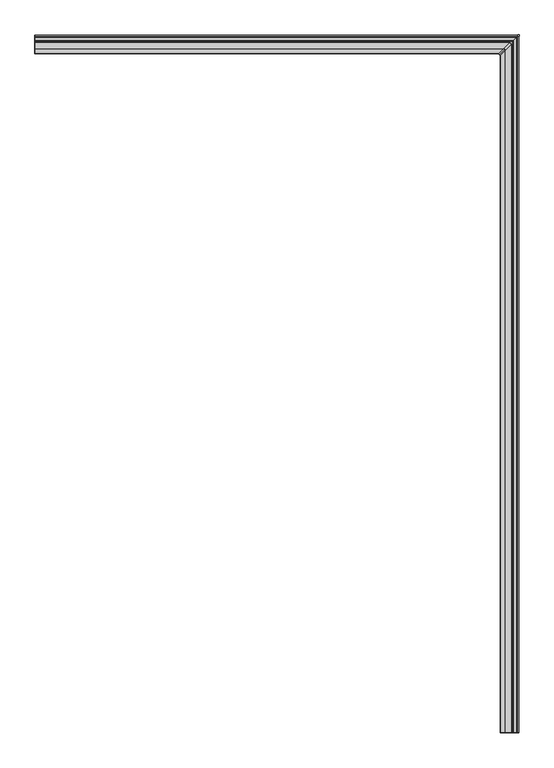
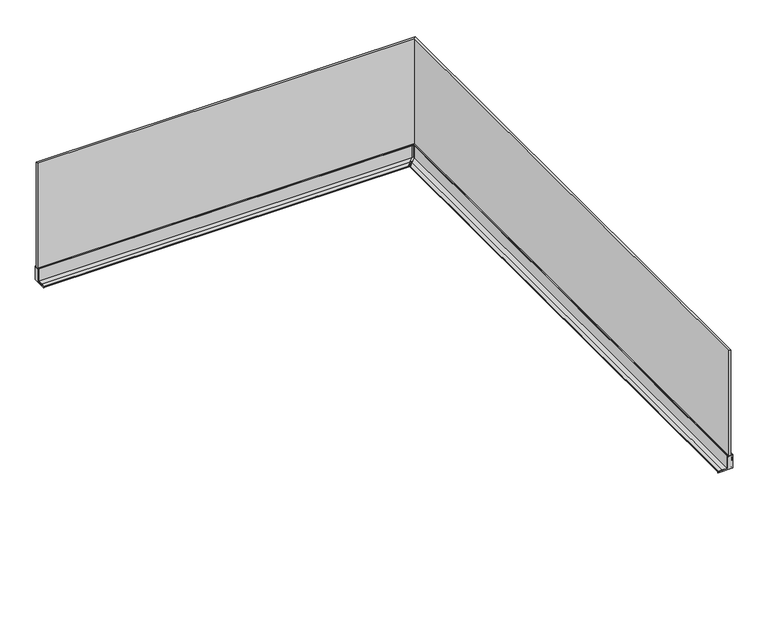
"""IFC4 building model written with IfcOpenShell, lengths in millimetres: railing geometry."""

from ifc_helpers import new_model, si_unit, frame, origin, place, context, project, spatial, polyline, circle_curve, ellipse_curve, outline, extrude, faceted_brep, source, transform, mapped, element, save
from ifc_brep_helpers import plane_surface, cylinder_surface, advanced_brep


def railing_99cab80c(model_context):
    return source(origin(), model_context, "Body", "SolidModel", [
        faceted_brep([(-5183.7924845, -67763.3362173, 1118.0), (-5201.3124845, -67763.3362173, 1118.0), (-5201.3124845, -67763.3362173, 18.0), (-5183.7924845, -67763.3362173, 18.0), (-5201.3124845, -62897.0962173, 1118.0), (-5201.3124845, -62897.0962173, 18.0), (-5183.7924845, -62879.5762173, 1118.0), (-8567.5524845, -62879.5762173, 1118.0), (-8567.5524845, -62879.5762173, 18.0), (-8567.5524845, -62897.0962173, 18.0), (-8567.5524845, -62897.0962173, 1118.0), (-5183.7924845, -62879.5762173, 18.0)], [[[0, 1, 2, 3]], [[4, 5, 2, 1]], [[6, 4, 1, 0]], [[7, 8, 9, 10]], [[10, 9, 5, 4]], [[7, 10, 4, 6]], [[9, 8, 11, 5]], [[8, 7, 6, 11]], [[5, 11, 3, 2]], [[11, 6, 0, 3]]]),
        advanced_brep(
        [(-5211.9524845, -67763.3362173, 125.0), (-5216.5524845, -67763.3362173, 125.0), (-5216.5524845, -67763.3362173, 11.995006), (-5262.0391385, -67763.3362173, 11.995006), (-5295.057318, -67763.3362173, 8.846889), (-5297.5524845, -67763.3362173, 6.3517226), (-5297.5524845, -67763.3362173, 0.0), (-5205.5524845, -67763.3362173, 0.0), (-5203.5524845, -67763.3362173, 2.0), (-5179.5524845, -67763.3362173, 2.0), (-5177.5524845, -67763.3362173, 0.0), (-5167.5524845, -67763.3362173, 0.0), (-5167.5524845, -67763.3362173, 125.0), (-5173.1524845, -67763.3362173, 125.0), (-5173.1524845, -67763.3362173, 119.7), (-5175.1524845, -67763.3362173, 119.7), (-5175.1524845, -67763.3362173, 122.45), (-5176.5524845, -67763.3362173, 122.45), (-5176.5524845, -67763.3362173, 113.2486641), (-5174.4524845, -67763.3362173, 113.2486641), (-5174.4524845, -67763.3362173, 109.9986641), (-5179.3652356, -67763.3362173, 109.9986641), (-5179.3652356, -67763.3362173, 108.0), (-5177.3652356, -67763.3362173, 108.0), (-5180.5524845, -67763.3362173, 35.0), (-5180.5524845, -67763.3362173, 15.0), (-5204.5524845, -67763.3362173, 15.0), (-5204.5524845, -67763.3362173, 35.0), (-5207.8269968, -67763.3362173, 109.9986641), (-5210.6524845, -67763.3362173, 109.9986641), (-5210.6524845, -67763.3362173, 113.2486641), (-5208.5524845, -67763.3362173, 113.2486641), (-5208.5524845, -67763.3362173, 122.45), (-5209.9524845, -67763.3362173, 122.45), (-5209.9524845, -67763.3362173, 119.7), (-5211.9524845, -67763.3362173, 119.7), (-5211.9524845, -62907.7362173, 125.0), (-5216.5524845, -62912.3362173, 125.0), (-8567.5524845, -62907.7362173, 125.0), (-8567.5524845, -62907.7362173, 119.7), (-8567.5524845, -62905.7362173, 119.7), (-8567.5524845, -62905.7362173, 122.45), (-8567.5524845, -62904.3362173, 122.45), (-8567.5524845, -62904.3362173, 113.2486641), (-8567.5524845, -62906.4362173, 113.2486641), (-8567.5524845, -62906.4362173, 109.9986641), (-8567.5524845, -62903.6107297, 109.9986641), (-8567.5524845, -62900.3362173, 35.0), (-8567.5524845, -62900.3362173, 15.0), (-8567.5524845, -62876.3362173, 15.0), (-8567.5524845, -62876.3362173, 35.0), (-8567.5524845, -62873.1489685, 108.0), (-8567.5524845, -62875.1489685, 108.0), (-8567.5524845, -62875.1489685, 109.9986641), (-8567.5524845, -62870.2362173, 109.9986641), (-8567.5524845, -62870.2362173, 113.2486641), (-8567.5524845, -62872.3362173, 113.2486641), (-8567.5524845, -62872.3362173, 122.45), (-8567.5524845, -62870.9362173, 122.45), (-8567.5524845, -62870.9362173, 119.7), (-8567.5524845, -62868.9362173, 119.7), (-8567.5524845, -62868.9362173, 125.0), (-8567.5524845, -62863.3362173, 125.0), (-8567.5524845, -62863.3362173, 0.0), (-8567.5524845, -62873.3362173, 0.0), (-8567.5524845, -62875.3362173, 2.0), (-8567.5524845, -62899.3362173, 2.0), (-8567.5524845, -62901.3362173, 0.0), (-8567.5524845, -62993.3362173, 0.0), (-8567.5524845, -62993.3362173, 6.3517226), (-8567.5524845, -62990.8410509, 8.846889), (-8567.5524845, -62957.8228713, 11.995006), (-8567.5524845, -62912.3362173, 11.995006), (-8567.5524845, -62912.3362173, 125.0), (-5205.5524845, -62901.3362173, 0.0), (-5297.5524845, -62993.3362173, 0.0), (-5203.5524845, -62899.3362173, 2.0), (-5179.5524845, -62875.3362173, 2.0), (-5177.5524845, -62873.3362173, 0.0), (-5167.5524845, -62863.3362173, 0.0), (-5167.5524845, -62863.3362173, 125.0), (-5173.1524845, -62868.9362173, 125.0), (-5173.1524845, -62868.9362173, 119.7), (-5175.1524845, -62870.9362173, 119.7), (-5175.1524845, -62870.9362173, 122.45), (-5176.5524845, -62872.3362173, 122.45), (-5176.5524845, -62872.3362173, 113.2486641), (-5174.4524845, -62870.2362173, 113.2486641), (-5174.4524845, -62870.2362173, 109.9986641), (-5179.3652356, -62875.1489685, 109.9986641), (-5179.3652356, -62875.1489685, 108.0), (-5177.3652356, -62873.1489685, 108.0), (-5180.5524845, -62876.3362173, 35.0), (-5180.5524845, -62876.3362173, 15.0), (-5204.5524845, -62900.3362173, 15.0), (-5204.5524845, -62900.3362173, 35.0), (-5207.8269968, -62903.6107297, 109.9986641), (-5210.6524845, -62906.4362173, 109.9986641), (-5210.6524845, -62906.4362173, 113.2486641), (-5208.5524845, -62904.3362173, 113.2486641), (-5208.5524845, -62904.3362173, 122.45), (-5209.9524845, -62905.7362173, 122.45), (-5209.9524845, -62905.7362173, 119.7), (-5211.9524845, -62907.7362173, 119.7), (-5216.5524845, -62912.3362173, 11.995006), (-5262.0391385, -62957.8228713, 11.995006), (-5295.057318, -62990.8410509, 8.846889), (-5297.5524845, -62993.3362173, 6.3517226)],
        [
            (0, 1),
            (1, 2),
            (2, 3),
            (3, 4),
            (4, 5, circle_curve(frame((-5295.057318, -67763.3362173, 6.3517226), z_axis=(0.0, -1.0, 0.0), x_axis=(1.0, 0.0, 0.0)), 2.4951664)),
            (5, 6),
            (6, 7),
            (7, 8),
            (8, 9),
            (9, 10),
            (10, 11),
            (11, 12),
            (12, 13),
            (13, 14),
            (14, 15),
            (15, 16),
            (16, 17),
            (17, 18),
            (18, 19),
            (19, 20),
            (20, 21),
            (21, 22),
            (22, 23),
            (23, 24),
            (24, 25),
            (25, 26),
            (26, 27),
            (27, 28),
            (28, 29),
            (29, 30),
            (30, 31),
            (31, 32),
            (32, 33),
            (33, 34),
            (34, 35),
            (35, 0),
            (36, 37),
            (37, 1),
            (0, 36),
            (38, 39),
            (39, 40),
            (40, 41),
            (41, 42),
            (42, 43),
            (43, 44),
            (44, 45),
            (45, 46),
            (46, 47),
            (47, 48),
            (48, 49),
            (49, 50),
            (50, 51),
            (51, 52),
            (52, 53),
            (53, 54),
            (54, 55),
            (55, 56),
            (56, 57),
            (57, 58),
            (58, 59),
            (59, 60),
            (60, 61),
            (61, 62),
            (62, 63),
            (63, 64),
            (64, 65),
            (65, 66),
            (66, 67),
            (67, 68),
            (68, 69),
            (69, 70, circle_curve(frame((-8567.5524845, -62990.8410509, 6.3517226), z_axis=(-1.0, 0.0, 0.0), x_axis=(0.0, 1.0, 0.0)), 2.4951664)),
            (70, 71),
            (71, 72),
            (72, 73),
            (73, 38),
            (73, 37),
            (36, 38),
            (67, 74),
            (74, 75),
            (75, 68),
            (66, 76),
            (76, 74),
            (65, 77),
            (77, 76),
            (64, 78),
            (78, 77),
            (63, 79),
            (79, 78),
            (62, 80),
            (80, 79),
            (61, 81),
            (81, 80),
            (60, 82),
            (82, 81),
            (59, 83),
            (83, 82),
            (58, 84),
            (84, 83),
            (57, 85),
            (85, 84),
            (56, 86),
            (86, 85),
            (55, 87),
            (87, 86),
            (54, 88),
            (88, 87),
            (53, 89),
            (89, 88),
            (52, 90),
            (90, 89),
            (51, 91),
            (91, 90),
            (50, 92),
            (92, 91),
            (49, 93),
            (93, 92),
            (48, 94),
            (94, 93),
            (47, 95),
            (95, 94),
            (46, 96),
            (96, 95),
            (45, 97),
            (97, 96),
            (44, 98),
            (98, 97),
            (43, 99),
            (99, 98),
            (42, 100),
            (100, 99),
            (41, 101),
            (101, 100),
            (40, 102),
            (102, 101),
            (39, 103),
            (103, 102),
            (36, 103),
            (74, 7),
            (6, 75),
            (76, 8),
            (77, 9),
            (78, 10),
            (79, 11),
            (80, 12),
            (81, 13),
            (82, 14),
            (83, 15),
            (84, 16),
            (85, 17),
            (86, 18),
            (87, 19),
            (88, 20),
            (89, 21),
            (90, 22),
            (91, 23),
            (92, 24),
            (93, 25),
            (94, 26),
            (95, 27),
            (96, 28),
            (97, 29),
            (98, 30),
            (99, 31),
            (100, 32),
            (101, 33),
            (102, 34),
            (103, 35),
            (72, 104),
            (104, 37),
            (71, 105),
            (105, 104),
            (70, 106),
            (106, 105),
            (69, 107),
            (107, 106, ellipse_curve(frame((-5295.057318, -62990.8410509, 6.3517226), z_axis=(-0.707106781186546, 0.7071067811865491, 0.0), x_axis=(-0.707106781186549, -0.707106781186546, 0.0)), 3.5286982, 2.4951664)),
            (75, 107),
            (104, 2),
            (105, 3),
            (106, 4),
            (107, 5),
        ],
        [
            plane_surface(frame((-5192.5524845, -67763.3362173, 0.0), z_axis=(0.0, -1.0, 0.0), x_axis=(0.0, 0.0, -1.0))),
            plane_surface(frame((-5216.5524845, -62912.3362173, 125.0), z_axis=(0.0, 0.0, 1.0), x_axis=(0.0, -1.0, 0.0))),
            plane_surface(frame((-8567.5524845, -62888.3362173, 0.0), z_axis=(-1.0, 0.0, 0.0), x_axis=(0.0, 1.0, 0.0))),
            plane_surface(frame((-8567.5524845, -62912.3362173, 125.0), z_axis=(0.0, 0.0, 1.0), x_axis=(1.0, 0.0, 0.0))),
            plane_surface(frame((-8567.5524845, -62901.3362173, 0.0), z_axis=(0.0, 0.0, -1.0), x_axis=(1.0, 0.0, 0.0))),
            plane_surface(frame((-8567.5524845, -62899.3362173, 2.0), z_axis=(0.0, 0.7071067811864672, -0.707106781186628), x_axis=(1.0, 0.0, 0.0))),
            plane_surface(frame((-8567.5524845, -62875.3362173, 2.0), z_axis=(0.0, 0.0, -1.0), x_axis=(1.0, 0.0, 0.0))),
            plane_surface(frame((-8567.5524845, -62873.3362173, 0.0), z_axis=(0.0, -0.707106781186468, -0.7071067811866272), x_axis=(1.0, 0.0, 0.0))),
            plane_surface(frame((-8567.5524845, -62863.3362173, 0.0), z_axis=(0.0, 0.0, -1.0), x_axis=(1.0, 0.0, 0.0))),
            plane_surface(frame((-8567.5524845, -62863.3362173, 125.0), z_axis=(0.0, 1.0, 0.0), x_axis=(1.0, 0.0, 0.0))),
            plane_surface(frame((-8567.5524845, -62868.9362173, 125.0), z_axis=(0.0, 0.0, 1.0), x_axis=(1.0, 0.0, 0.0))),
            plane_surface(frame((-8567.5524845, -62868.9362173, 119.7), z_axis=(0.0, -1.0, 0.0), x_axis=(1.0, 0.0, 0.0))),
            plane_surface(frame((-8567.5524845, -62870.9362173, 119.7), z_axis=(0.0, 0.0, 1.0), x_axis=(1.0, 0.0, 0.0))),
            plane_surface(frame((-8567.5524845, -62870.9362173, 122.45), z_axis=(0.0, 1.0, 0.0), x_axis=(1.0, 0.0, 0.0))),
            plane_surface(frame((-8567.5524845, -62872.3362173, 122.45), z_axis=(0.0, 0.0, 1.0), x_axis=(1.0, 0.0, 0.0))),
            plane_surface(frame((-8567.5524845, -62872.3362173, 113.2486641), z_axis=(0.0, -1.0, 0.0), x_axis=(1.0, 0.0, 0.0))),
            plane_surface(frame((-8567.5524845, -62870.2362173, 113.2486641), z_axis=(0.0, 0.0, -1.0), x_axis=(1.0, 0.0, 0.0))),
            plane_surface(frame((-8567.5524845, -62870.2362173, 109.9986641), z_axis=(0.0, -1.0, 0.0), x_axis=(1.0, 0.0, 0.0))),
            plane_surface(frame((-8567.5524845, -62875.1489685, 109.9986641), z_axis=(0.0, 0.0, 1.0), x_axis=(1.0, 0.0, 0.0))),
            plane_surface(frame((-8567.5524845, -62875.1489685, 108.0), z_axis=(0.0, -1.0, 0.0), x_axis=(1.0, 0.0, 0.0))),
            plane_surface(frame((-8567.5524845, -62873.1489685, 108.0), z_axis=(0.0, 0.0, -1.0), x_axis=(1.0, 0.0, 0.0))),
            plane_surface(frame((-8567.5524845, -62876.3362173, 35.0), z_axis=(0.0, -0.9990482215818577, 0.043619387365338706), x_axis=(1.0, 0.0, 0.0))),
            plane_surface(frame((-8567.5524845, -62876.3362173, 15.0), z_axis=(0.0, -1.0, 0.0), x_axis=(1.0, 0.0, 0.0))),
            plane_surface(frame((-8567.5524845, -62900.3362173, 15.0), z_axis=(0.0, 0.0, 1.0), x_axis=(1.0, 0.0, 0.0))),
            plane_surface(frame((-8567.5524845, -62900.3362173, 35.0), z_axis=(0.0, 1.0, 0.0), x_axis=(1.0, 0.0, 0.0))),
            plane_surface(frame((-8567.5524845, -62903.6107297, 109.9986641), z_axis=(0.0, 0.9990482215818579, 0.04361938736533231), x_axis=(1.0, 0.0, 0.0))),
            plane_surface(frame((-8567.5524845, -62906.4362173, 109.9986641), z_axis=(0.0, 0.0, 1.0), x_axis=(1.0, 0.0, 0.0))),
            plane_surface(frame((-8567.5524845, -62906.4362173, 113.2486641), z_axis=(0.0, 1.0, 0.0), x_axis=(1.0, 0.0, 0.0))),
            plane_surface(frame((-8567.5524845, -62904.3362173, 113.2486641), z_axis=(0.0, 0.0, -1.0), x_axis=(1.0, 0.0, 0.0))),
            plane_surface(frame((-8567.5524845, -62904.3362173, 122.45), z_axis=(0.0, 1.0, 0.0), x_axis=(1.0, 0.0, 0.0))),
            plane_surface(frame((-8567.5524845, -62905.7362173, 122.45), z_axis=(0.0, 0.0, 1.0), x_axis=(1.0, 0.0, 0.0))),
            plane_surface(frame((-8567.5524845, -62905.7362173, 119.7), z_axis=(0.0, -1.0, 0.0), x_axis=(1.0, 0.0, 0.0))),
            plane_surface(frame((-8567.5524845, -62907.7362173, 119.7), z_axis=(0.0, 0.0, 1.0), x_axis=(1.0, 0.0, 0.0))),
            plane_surface(frame((-8567.5524845, -62907.7362173, 125.0), z_axis=(0.0, 1.0, 0.0), x_axis=(1.0, 0.0, 0.0))),
            plane_surface(frame((-5205.5524845, -62901.3362173, 0.0), z_axis=(0.0, 0.0, -1.0), x_axis=(0.0, -1.0, 0.0))),
            plane_surface(frame((-5203.5524845, -62899.3362173, 2.0), z_axis=(0.7071067811864672, 0.0, -0.7071067811866281), x_axis=(0.0, -1.0, 0.0))),
            plane_surface(frame((-5179.5524845, -62875.3362173, 2.0), z_axis=(0.0, 0.0, -1.0), x_axis=(0.0, -1.0, 0.0))),
            plane_surface(frame((-5177.5524845, -62873.3362173, 0.0), z_axis=(-0.707106781186468, 0.0, -0.7071067811866273), x_axis=(0.0, -1.0, 0.0))),
            plane_surface(frame((-5167.5524845, -62863.3362173, 0.0), z_axis=(0.0, 0.0, -1.0), x_axis=(0.0, -1.0, 0.0))),
            plane_surface(frame((-5167.5524845, -62863.3362173, 125.0), z_axis=(1.0, 0.0, 0.0), x_axis=(0.0, -1.0, 0.0))),
            plane_surface(frame((-5173.1524845, -62868.9362173, 125.0), z_axis=(0.0, 0.0, 1.0), x_axis=(0.0, -1.0, 0.0))),
            plane_surface(frame((-5173.1524845, -62868.9362173, 119.7), z_axis=(-1.0, 0.0, 0.0), x_axis=(0.0, -1.0, 0.0))),
            plane_surface(frame((-5175.1524845, -62870.9362173, 119.7), z_axis=(0.0, 0.0, 1.0), x_axis=(0.0, -1.0, 0.0))),
            plane_surface(frame((-5175.1524845, -62870.9362173, 122.45), z_axis=(1.0, 0.0, 0.0), x_axis=(0.0, -1.0, 0.0))),
            plane_surface(frame((-5176.5524845, -62872.3362173, 122.45), z_axis=(0.0, 0.0, 1.0), x_axis=(0.0, -1.0, 0.0))),
            plane_surface(frame((-5176.5524845, -62872.3362173, 113.2486641), z_axis=(-1.0, 0.0, 0.0), x_axis=(0.0, -1.0, 0.0))),
            plane_surface(frame((-5174.4524845, -62870.2362173, 113.2486641), z_axis=(0.0, 0.0, -1.0), x_axis=(0.0, -1.0, 0.0))),
            plane_surface(frame((-5174.4524845, -62870.2362173, 109.9986641), z_axis=(-1.0, 0.0, 0.0), x_axis=(0.0, -1.0, 0.0))),
            plane_surface(frame((-5179.3652356, -62875.1489685, 109.9986641), z_axis=(0.0, 0.0, 1.0), x_axis=(0.0, -1.0, 0.0))),
            plane_surface(frame((-5179.3652356, -62875.1489685, 108.0), z_axis=(-1.0, 0.0, 0.0), x_axis=(0.0, -1.0, 0.0))),
            plane_surface(frame((-5177.3652356, -62873.1489685, 108.0), z_axis=(0.0, 0.0, -1.0), x_axis=(0.0, -1.0, 0.0))),
            plane_surface(frame((-5180.5524845, -62876.3362173, 35.0), z_axis=(-0.9990482215818577, 0.0, 0.04361938736533871), x_axis=(0.0, -1.0, 0.0))),
            plane_surface(frame((-5180.5524845, -62876.3362173, 15.0), z_axis=(-1.0, 0.0, 0.0), x_axis=(0.0, -1.0, 0.0))),
            plane_surface(frame((-5204.5524845, -62900.3362173, 15.0), z_axis=(0.0, 0.0, 1.0), x_axis=(0.0, -1.0, 0.0))),
            plane_surface(frame((-5204.5524845, -62900.3362173, 35.0), z_axis=(1.0, 0.0, 0.0), x_axis=(0.0, -1.0, 0.0))),
            plane_surface(frame((-5207.8269968, -62903.6107297, 109.9986641), z_axis=(0.9990482215818579, 0.0, 0.043619387365332316), x_axis=(0.0, -1.0, 0.0))),
            plane_surface(frame((-5210.6524845, -62906.4362173, 109.9986641), z_axis=(0.0, 0.0, 1.0), x_axis=(0.0, -1.0, 0.0))),
            plane_surface(frame((-5210.6524845, -62906.4362173, 113.2486641), z_axis=(1.0, 0.0, 0.0), x_axis=(0.0, -1.0, 0.0))),
            plane_surface(frame((-5208.5524845, -62904.3362173, 113.2486641), z_axis=(0.0, 0.0, -1.0), x_axis=(0.0, -1.0, 0.0))),
            plane_surface(frame((-5208.5524845, -62904.3362173, 122.45), z_axis=(1.0, 0.0, 0.0), x_axis=(0.0, -1.0, 0.0))),
            plane_surface(frame((-5209.9524845, -62905.7362173, 122.45), z_axis=(0.0, 0.0, 1.0), x_axis=(0.0, -1.0, 0.0))),
            plane_surface(frame((-5209.9524845, -62905.7362173, 119.7), z_axis=(-1.0, 0.0, 0.0), x_axis=(0.0, -1.0, 0.0))),
            plane_surface(frame((-5211.9524845, -62907.7362173, 119.7), z_axis=(0.0, 0.0, 1.0), x_axis=(0.0, -1.0, 0.0))),
            plane_surface(frame((-5211.9524845, -62907.7362173, 125.0), z_axis=(1.0, 0.0, 0.0), x_axis=(0.0, -1.0, 0.0))),
            plane_surface(frame((-8567.5524845, -62912.3362173, 11.995006), z_axis=(0.0, -1.0, 0.0), x_axis=(1.0, 0.0, 0.0))),
            plane_surface(frame((-8567.5524845, -62957.8228713, 11.995006), z_axis=(0.0, 0.0, 1.0), x_axis=(1.0, 0.0, 0.0))),
            plane_surface(frame((-8567.5524845, -62990.8410509, 8.846889), z_axis=(0.0, -0.09491451768275316, 0.9954854264794891), x_axis=(1.0, 0.0, 0.0))),
            cylinder_surface(frame((-8567.5524845, -62990.8410509, 6.3517226), z_axis=(-1.0, 0.0, 0.0), x_axis=(0.0, 1.0, 0.0)), 2.4951664),
            plane_surface(frame((-8567.5524845, -62993.3362173, 0.0), z_axis=(0.0, -1.0, 0.0), x_axis=(1.0, 0.0, 0.0))),
            plane_surface(frame((-5216.5524845, -62912.3362173, 11.995006), z_axis=(-1.0, 0.0, 0.0), x_axis=(0.0, -1.0, 0.0))),
            plane_surface(frame((-5262.0391385, -62957.8228713, 11.995006), z_axis=(0.0, 0.0, 1.0), x_axis=(0.0, -1.0, 0.0))),
            plane_surface(frame((-5295.057318, -62990.8410509, 8.846889), z_axis=(-0.09491451768275314, 0.0, 0.9954854264794891), x_axis=(0.0, -1.0, 0.0))),
            cylinder_surface(frame((-5295.057318, -62888.3362173, 6.3517226), z_axis=(0.0, 1.0, 0.0), x_axis=(1.0, 0.0, 0.0)), 2.4951664),
            plane_surface(frame((-5297.5524845, -62993.3362173, 0.0), z_axis=(-1.0, 0.0, 0.0), x_axis=(0.0, -1.0, 0.0))),
        ],
        [
            (0, [[1, 2, 3, 4, 5, 6, 7, 8, 9, 10, 11, 12, 13, 14, 15, 16, 17, 18, 19, 20, 21, 22, 23, 24, 25, 26, 27, 28, 29, 30, 31, 32, 33, 34, 35, 36]]),
            (1, [[37, 38, -1, 39]]),
            (2, [[40, 41, 42, 43, 44, 45, 46, 47, 48, 49, 50, 51, 52, 53, 54, 55, 56, 57, 58, 59, 60, 61, 62, 63, 64, 65, 66, 67, 68, 69, 70, 71, 72, 73, 74, 75]]),
            (3, [[-75, 76, -37, 77]]),
            (4, [[-69, 78, 79, 80]]),
            (5, [[-68, 81, 82, -78]]),
            (6, [[-67, 83, 84, -81]]),
            (7, [[-66, 85, 86, -83]]),
            (8, [[-65, 87, 88, -85]]),
            (9, [[-64, 89, 90, -87]]),
            (10, [[-63, 91, 92, -89]]),
            (11, [[-62, 93, 94, -91]]),
            (12, [[-61, 95, 96, -93]]),
            (13, [[-60, 97, 98, -95]]),
            (14, [[-59, 99, 100, -97]]),
            (15, [[-58, 101, 102, -99]]),
            (16, [[-57, 103, 104, -101]]),
            (17, [[-56, 105, 106, -103]]),
            (18, [[-55, 107, 108, -105]]),
            (19, [[-54, 109, 110, -107]]),
            (20, [[-53, 111, 112, -109]]),
            (21, [[-52, 113, 114, -111]]),
            (22, [[-51, 115, 116, -113]]),
            (23, [[-50, 117, 118, -115]]),
            (24, [[-49, 119, 120, -117]]),
            (25, [[-48, 121, 122, -119]]),
            (26, [[-47, 123, 124, -121]]),
            (27, [[-46, 125, 126, -123]]),
            (28, [[-45, 127, 128, -125]]),
            (29, [[-44, 129, 130, -127]]),
            (30, [[-43, 131, 132, -129]]),
            (31, [[-42, 133, 134, -131]]),
            (32, [[-41, 135, 136, -133]]),
            (33, [[-40, -77, 137, -135]]),
            (34, [[-79, 138, -7, 139]]),
            (35, [[-82, 140, -8, -138]]),
            (36, [[-84, 141, -9, -140]]),
            (37, [[-86, 142, -10, -141]]),
            (38, [[-88, 143, -11, -142]]),
            (39, [[-90, 144, -12, -143]]),
            (40, [[-92, 145, -13, -144]]),
            (41, [[-94, 146, -14, -145]]),
            (42, [[-96, 147, -15, -146]]),
            (43, [[-98, 148, -16, -147]]),
            (44, [[-100, 149, -17, -148]]),
            (45, [[-102, 150, -18, -149]]),
            (46, [[-104, 151, -19, -150]]),
            (47, [[-106, 152, -20, -151]]),
            (48, [[-108, 153, -21, -152]]),
            (49, [[-110, 154, -22, -153]]),
            (50, [[-112, 155, -23, -154]]),
            (51, [[-114, 156, -24, -155]]),
            (52, [[-116, 157, -25, -156]]),
            (53, [[-118, 158, -26, -157]]),
            (54, [[-120, 159, -27, -158]]),
            (55, [[-122, 160, -28, -159]]),
            (56, [[-124, 161, -29, -160]]),
            (57, [[-126, 162, -30, -161]]),
            (58, [[-128, 163, -31, -162]]),
            (59, [[-130, 164, -32, -163]]),
            (60, [[-132, 165, -33, -164]]),
            (61, [[-134, 166, -34, -165]]),
            (62, [[-136, 167, -35, -166]]),
            (63, [[-137, -39, -36, -167]]),
            (64, [[-74, 168, 169, -76]]),
            (65, [[-73, 170, 171, -168]]),
            (66, [[-72, 172, 173, -170]]),
            (67, [[-71, 174, 175, -172]]),
            (68, [[-70, -80, 176, -174]]),
            (69, [[-169, 177, -2, -38]]),
            (70, [[-171, 178, -3, -177]]),
            (71, [[-173, 179, -4, -178]]),
            (72, [[-175, 180, -5, -179]]),
            (73, [[-176, -139, -6, -180]]),
        ],
    ),
        faceted_brep([(-5173.3524845, -67763.3362173, 125.3594354), (-5183.5217324, -67763.3362173, 126.6803147), (-5183.5217324, -67763.3362173, 118.0), (-5176.7524845, -67763.3362173, 118.0), (-5176.7524845, -67763.3362173, 122.65), (-5174.9524845, -67763.3362173, 122.65), (-5174.9524845, -67763.3362173, 119.9), (-5173.3524845, -67763.3362173, 119.9), (-8567.5524845, -62869.1362173, 125.3594354), (-8567.5524845, -62869.1362173, 119.9), (-8567.5524845, -62870.7362173, 119.9), (-8567.5524845, -62870.7362173, 122.65), (-8567.5524845, -62872.5362173, 122.65), (-8567.5524845, -62872.5362173, 118.0), (-8567.5524845, -62879.3054652, 118.0), (-8567.5524845, -62879.3054652, 126.6803147), (-5183.5217324, -62879.3054652, 126.6803147), (-5173.3524845, -62869.1362173, 125.3594354), (-5183.5217324, -62879.3054652, 118.0), (-5176.7524845, -62872.5362173, 118.0), (-5176.7524845, -62872.5362173, 122.65), (-5174.9524845, -62870.7362173, 122.65), (-5174.9524845, -62870.7362173, 119.9), (-5173.3524845, -62869.1362173, 119.9)], [[[0, 1, 2, 3, 4, 5, 6, 7]], [[8, 9, 10, 11, 12, 13, 14, 15]], [[8, 15, 16, 17]], [[15, 14, 18, 16]], [[14, 13, 19, 18]], [[13, 12, 20, 19]], [[12, 11, 21, 20]], [[11, 10, 22, 21]], [[10, 9, 23, 22]], [[9, 8, 17, 23]], [[17, 16, 1, 0]], [[16, 18, 2, 1]], [[18, 19, 3, 2]], [[19, 20, 4, 3]], [[20, 21, 5, 4]], [[21, 22, 6, 5]], [[22, 23, 7, 6]], [[23, 17, 0, 7]]]),
        faceted_brep([(-5211.744672, -67763.3362173, 125.3594354), (-5211.744672, -67763.3362173, 119.9), (-5210.144672, -67763.3362173, 119.9), (-5210.144672, -67763.3362173, 122.65), (-5208.344672, -67763.3362173, 122.65), (-5208.344672, -67763.3362173, 118.0), (-5201.575424, -67763.3362173, 118.0), (-5201.575424, -67763.3362173, 126.6803147), (-8567.5524845, -62907.5284048, 125.3594354), (-8567.5524845, -62897.3591569, 126.6803147), (-8567.5524845, -62897.3591569, 118.0), (-8567.5524845, -62904.1284048, 118.0), (-8567.5524845, -62904.1284048, 122.65), (-8567.5524845, -62905.9284048, 122.65), (-8567.5524845, -62905.9284048, 119.9), (-8567.5524845, -62907.5284048, 119.9), (-5211.744672, -62907.5284048, 119.9), (-5211.744672, -62907.5284048, 125.3594354), (-5210.144672, -62905.9284048, 119.9), (-5210.144672, -62905.9284048, 122.65), (-5208.344672, -62904.1284048, 122.65), (-5208.344672, -62904.1284048, 118.0), (-5201.575424, -62897.3591569, 118.0), (-5201.575424, -62897.3591569, 126.6803147)], [[[0, 1, 2, 3, 4, 5, 6, 7]], [[8, 9, 10, 11, 12, 13, 14, 15]], [[8, 15, 16, 17]], [[15, 14, 18, 16]], [[14, 13, 19, 18]], [[13, 12, 20, 19]], [[12, 11, 21, 20]], [[11, 10, 22, 21]], [[10, 9, 23, 22]], [[9, 8, 17, 23]], [[17, 16, 1, 0]], [[16, 18, 2, 1]], [[18, 19, 3, 2]], [[19, 20, 4, 3]], [[20, 21, 5, 4]], [[21, 22, 6, 5]], [[22, 23, 7, 6]], [[23, 17, 0, 7]]]),
        extrude(outline(polyline([(-5220.0474845, -62926.437819), (-5220.0474845, -62915.8312173), (-5230.6574845, -62915.8312173), (-5230.6574845, -62913.3312173), (-5217.5474845, -62913.3312173), (-5217.5474845, -62926.437819), (-5220.0474845, -62926.437819)])), frame((0.0, 0.0, 14.5), z_axis=(0.0, 0.0, 1.0), x_axis=(1.0, 0.0, 0.0)), (0.0, 0.0, 1.0), 110.5),
        faceted_brep([(-5308.1574845, -62995.8346156, 2.8), (-5308.1574845, -62995.8346156, 13.15), (-5308.1574845, -62993.3346156, 13.4031846), (-5308.1574845, -62993.3346156, 10.8903968), (-5308.1574845, -62993.3346156, 2.8), (-5297.5508827, -62993.3346156, 2.8), (-5297.5508827, -63003.9412173, 2.8), (-5300.0508827, -63003.9412173, 2.8), (-5300.0508827, -62995.8346156, 2.8), (-5297.5508827, -62993.3346156, 10.8903968), (-5272.5154683, -62957.6925994, 14.5), (-5261.9088666, -62957.6925994, 14.5), (-5230.6540862, -62915.8312173, 14.5), (-5220.0474845, -62915.8312173, 14.5), (-5220.0474845, -62926.437819, 14.5), (-5261.9088666, -62968.2992011, 14.5), (-5230.6540862, -62915.8312173, 17.0), (-5220.0474845, -62915.8312173, 17.0), (-5272.6417376, -62957.8188688, 17.0), (-5262.0351359, -62957.8188688, 17.0), (-5262.0351359, -62968.4254705, 17.0), (-5220.0474845, -62926.437819, 17.0), (-5300.0508827, -62995.8346156, 13.15), (-5297.5508827, -63003.9412173, 10.8903968), (-5297.5508827, -63003.9412173, 13.4031846), (-5300.0508827, -63003.9412173, 13.15)], [[[0, 1, 2, 3, 4]], [[4, 5, 6, 7, 8, 0]], [[3, 9, 5, 4]], [[3, 10, 11, 9]], [[10, 12, 13, 14, 15, 11]], [[13, 12, 16, 17]], [[16, 18, 19, 20, 21, 17]], [[19, 18, 2, 1, 22]], [[0, 8, 22, 1]], [[6, 23, 24, 25, 7]], [[5, 9, 23, 6]], [[11, 15, 23, 9]], [[17, 21, 14, 13]], [[22, 25, 24, 20, 19]], [[7, 25, 22, 8]], [[14, 21, 20, 24, 23, 15]], [[2, 18, 16, 12, 10, 3]]]),
        faceted_brep([(-5213.9474845, -62909.7312173, 127.5), (-5230.6574845, -62909.7312173, 127.5), (-5230.6574845, -62915.8312173, 127.5), (-5220.0474845, -62915.8312173, 127.5), (-5220.0474845, -62926.437819, 127.5), (-5213.9474845, -62926.437819, 127.5), (-5213.9474845, -62909.7312173, 125.0), (-5213.9474845, -62926.437819, 125.0), (-5220.0474845, -62926.437819, 125.0), (-5220.0474845, -62915.8312173, 125.0), (-5230.6574845, -62915.8312173, 125.0), (-5230.6574845, -62909.7312173, 125.0)], [[[0, 1, 2, 3, 4, 5]], [[6, 7, 8, 9, 10, 11]], [[5, 7, 6, 0]], [[0, 6, 11, 1]], [[4, 8, 7, 5]], [[3, 9, 8, 4]], [[2, 10, 9, 3]], [[1, 11, 10, 2]]]),
        faceted_brep([(-5165.0574845, -62860.8412173, 127.5), (-5175.2474845, -62860.8412173, 127.5), (-5175.2474845, -62866.9412173, 127.5), (-5171.1574845, -62866.9412173, 127.5), (-5171.1574845, -62871.0312173, 127.5), (-5165.0574845, -62871.0312173, 127.5), (-5165.0574845, -62860.8412173, 2.8), (-5165.0574845, -62871.0312173, 2.8), (-5167.5574845, -62871.0312173, 2.8), (-5167.5574845, -62865.1112173, 2.8), (-5297.5508827, -62995.1023825, 2.8), (-5297.5508827, -62993.3346156, 2.8), (-5299.3186497, -62993.3346156, 2.8), (-5169.3274845, -62863.3412173, 2.8), (-5175.2474845, -62863.3412173, 2.8), (-5175.2474845, -62860.8412173, 2.8), (-5165.0574845, -62860.8412173, 125.0), (-5171.1574845, -62871.0312173, 125.0), (-5167.5574845, -62871.0312173, 125.0), (-5167.5574845, -62863.3412173, 125.0), (-5167.5574845, -62863.3412173, 13.15), (-5167.5574845, -62865.1112173, 13.15), (-5169.3274845, -62863.3412173, 13.15), (-5175.2474845, -62863.3412173, 125.0), (-5175.2474845, -62866.9412173, 125.0), (-5171.1574845, -62866.9412173, 125.0), (-5297.5508827, -62993.3346156, 13.15), (-5297.5508827, -62995.1023825, 13.15), (-5299.3186497, -62993.3346156, 13.15)], [[[0, 1, 2, 3, 4, 5]], [[6, 7, 8, 9, 10, 11, 12, 13, 14, 15]], [[5, 7, 6, 16, 0]], [[7, 5, 4, 17, 18, 8]], [[18, 19, 20, 21, 9, 8]], [[14, 13, 22, 20, 19, 23]], [[14, 23, 24, 2, 1, 15]], [[0, 16, 6, 15, 1]], [[24, 23, 19, 18, 17, 25]], [[3, 25, 17, 4]], [[2, 24, 25, 3]], [[26, 27, 21, 20, 22, 28]], [[26, 11, 10, 27]], [[28, 12, 11, 26]], [[22, 13, 12, 28]], [[27, 10, 9, 21]]]),
        extrude(outline(polyline([(-1.0, -5168.5524845), (124.0, -5168.5524845), (124.0, -5217.5524845), (11.0, -5217.5524845), (11.0, -5263.0391385), (7.6139815, -5298.5524845), (-1.0, -5298.5524845), (-1.0, -5168.5524845)])), frame((0.0, -67766.3362173, 0.0), z_axis=(0.0, 1.0, 0.0), x_axis=(0.0, 0.0, 1.0)), (0.0, 0.0, 1.0), 3.0),
        extrude(outline(polyline([(-62864.3362173, -1.0), (-62994.3362173, -1.0), (-62994.3362173, 7.6139815), (-62958.8228713, 11.0), (-62913.3362173, 11.0), (-62913.3362173, 124.0), (-62864.3362173, 124.0), (-62864.3362173, -1.0)])), frame((-8570.5524845, 0.0, 0.0), z_axis=(1.0, 0.0, 0.0), x_axis=(0.0, 1.0, 0.0)), (0.0, 0.0, 1.0), 3.0),
    ])


if __name__ == "__main__":
    model = new_model("IFC4")
    model_context = context("Model", 3, world=origin())
    ifc_project = project(units=[si_unit("LENGTHUNIT", "METRE", prefix="MILLI")], contexts=[model_context])
    site = spatial("IfcSite", under=ifc_project)
    building = spatial("IfcBuilding", under=site)
    placement = place(None, origin())
    railing_shape = railing_99cab80c(model_context)
    element("IfcRailing", 1, at=placement, inside=building, context=model_context, shape_type="MappedRepresentation", body=[
        mapped(railing_shape, transform((0.0, 0.0, 0.0), x_axis=(1.0, 0.0, 0.0), y_axis=(0.0, 1.0, 0.0), z_axis=(0.0, 0.0, 1.0))),
    ])
    save(model, "model.ifc")
